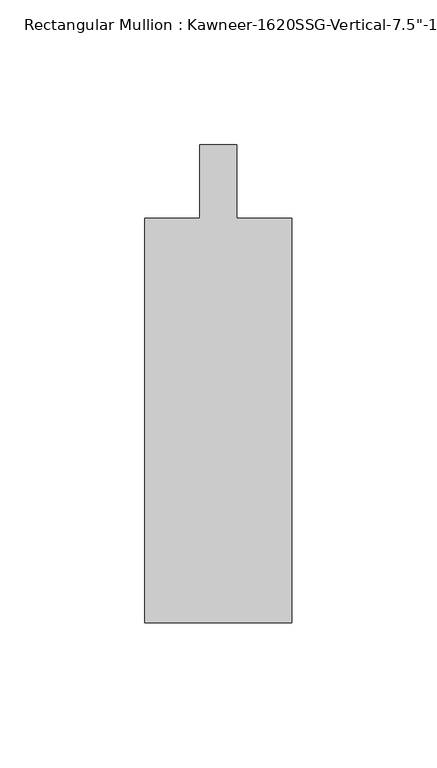
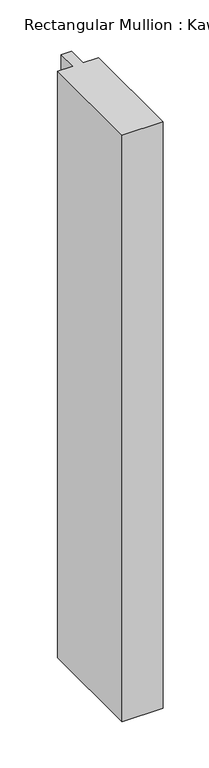
"""IFC4 building model written with IfcOpenShell, lengths in millimetres: member geometry."""

from ifc_helpers import new_model, si_unit, frame, origin, place, context, project, spatial, polyline, outline, extrude, source, transform, mapped, element, save


def member_1fff76c1(model_context):
    return source(origin(), model_context, "Body", "SweptSolid", [
        extrude(outline(polyline([(25.4, -152.4), (-25.4, -152.4), (-25.4, -12.7), (-6.35, -12.7), (-6.35, 12.7), (6.35, 12.7), (6.35, -12.7), (25.4, -12.7), (25.4, -152.4)])), frame((0.0, 0.0, -774.7), z_axis=(0.0, 0.0, 1.0), x_axis=(1.0, 0.0, 0.0)), (0.0, 0.0, 1.0), 774.7),
    ])


if __name__ == "__main__":
    model = new_model("IFC4")
    model_context = context("Model", 3, world=origin())
    ifc_project = project(units=[si_unit("LENGTHUNIT", "METRE", prefix="MILLI")], contexts=[model_context])
    site = spatial("IfcSite", under=ifc_project)
    building = spatial("IfcBuilding", under=site)
    placement = place(None, origin())
    member_shape = member_1fff76c1(model_context)
    element("IfcMember", 1, ObjectType="Rectangular Mullion : Kawneer-1620SSG-Vertical-7.5\"-1\"Infill-Standard", at=placement, inside=building, context=model_context, shape_type="MappedRepresentation", body=[
        mapped(member_shape, transform((0.0, 0.0, 0.0), x_axis=(1.0, 0.0, 0.0), y_axis=(0.0, 1.0, 0.0), z_axis=(0.0, 0.0, 1.0))),
    ])
    save(model, "model.ifc")
